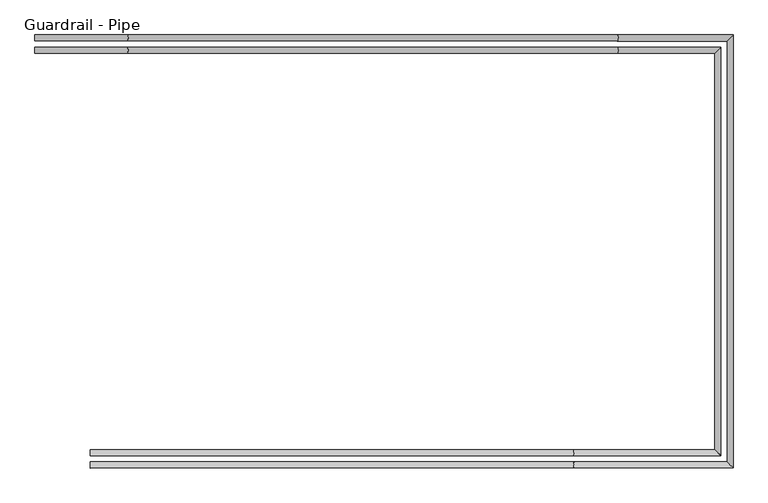
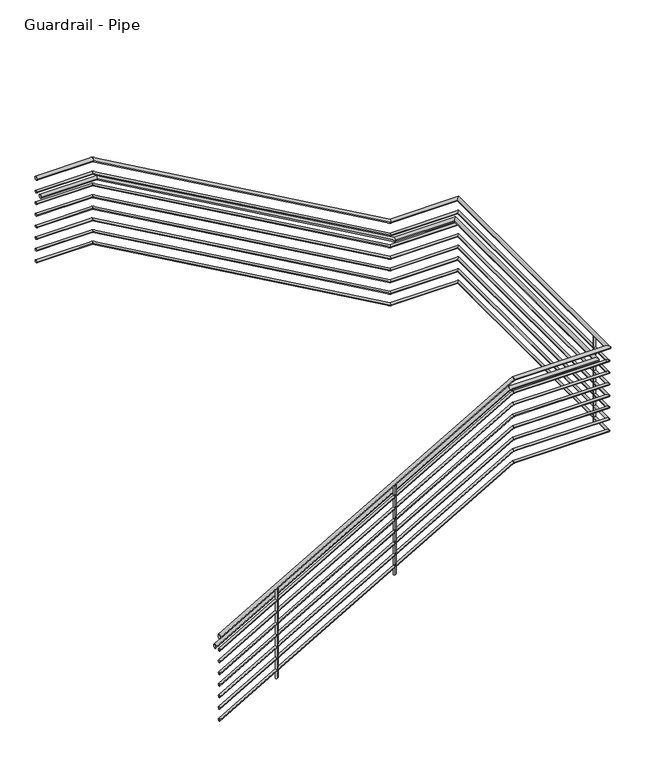
"""IFC4 building model written with IfcOpenShell, lengths in millimetres: railing geometry, Guardrail - Pipe."""

from ifc_helpers import new_model, si_unit, point, frame, frame_2d, origin, place, context, project, spatial, circle_curve, ellipse_curve, trimmed, segment, composite_curve, outline, extrude, source, transform, mapped, element, save
from ifc_brep_helpers import plane_surface, cylinder_surface, advanced_brep


def guardrail_pipe_0471409f(model_context):
    return source(origin(), model_context, "Body", "SolidModel", [
        advanced_brep(
        [(2369.5904629, -21101.8840928, 1047.75), (2369.5904629, -21063.7840928, 1047.75), (2948.7488348, -21101.8840928, 1047.75), (2948.7488348, -21063.7840928, 1047.75), (6022.1488348, -21101.8840928, -701.5369565), (6022.1488348, -21063.7840928, -701.5369565), (6709.6952881, -21101.8840928, -701.5369565), (6747.7952881, -21063.7840928, -701.5369565), (6709.6952881, -23740.9587769, -701.5369565), (6747.7952881, -23779.0587769, -701.5369565), (5752.8914083, -23740.9587769, -701.5369565), (5752.8914083, -23779.0587769, -701.5369565), (2715.5452881, -23740.9587769, -2453.7666228), (2715.5452881, -23779.0587769, -2453.7666228)],
        [
            (0, 1, circle_curve(frame((2369.5904629, -21082.8340928, 1047.75), z_axis=(-1.0, 0.0, 0.0), x_axis=(0.0, 1.0, 0.0)), 19.05)),
            (1, 0, circle_curve(frame((2369.5904629, -21082.8340928, 1047.75), z_axis=(-1.0, 0.0, 0.0), x_axis=(0.0, 1.0, 0.0)), 19.05)),
            (0, 2),
            (2, 3, ellipse_curve(frame((2948.7488348, -21082.8340928, 1047.75), z_axis=(-0.9667180176221513, 0.0, 0.25584423856068766), x_axis=(-0.25584423856068755, 0.0, -0.9667180176221513)), 19.7058497, 19.05)),
            (3, 1),
            (3, 2, ellipse_curve(frame((2948.7488348, -21082.8340928, 1047.75), z_axis=(-0.9667180176221513, 0.0, 0.25584423856068766), x_axis=(-0.25584423856068755, 0.0, -0.9667180176221513)), 19.7058497, 19.05)),
            (2, 4),
            (4, 5, ellipse_curve(frame((6022.1488348, -21082.8340928, -701.5369565), z_axis=(-0.9667180176221513, 0.0, 0.2558442385606876), x_axis=(0.2558442385606875, 0.0, 0.9667180176221513)), 19.7058497, 19.05)),
            (5, 3),
            (5, 4, ellipse_curve(frame((6022.1488348, -21082.8340928, -701.5369565), z_axis=(-0.9667180176221513, 0.0, 0.2558442385606876), x_axis=(0.2558442385606875, 0.0, 0.9667180176221513)), 19.7058497, 19.05)),
            (4, 6),
            (6, 7, ellipse_curve(frame((6728.7452881, -21082.8340928, -701.5369565), z_axis=(-0.7071067811865449, 0.70710678118655, 0.0), x_axis=(-0.7071067811865501, -0.7071067811865448, 0.0)), 26.9407684, 19.05)),
            (7, 5),
            (7, 6, ellipse_curve(frame((6728.7452881, -21082.8340928, -701.5369565), z_axis=(-0.7071067811865449, 0.70710678118655, 0.0), x_axis=(-0.7071067811865501, -0.7071067811865448, 0.0)), 26.9407684, 19.05)),
            (6, 8),
            (8, 9, ellipse_curve(frame((6728.7452881, -23760.0087769, -701.5369565), z_axis=(0.7071067811865501, 0.707106781186545, 0.0), x_axis=(-0.7071067811865451, 0.70710678118655, 0.0)), 26.9407684, 19.05)),
            (9, 7),
            (9, 8, ellipse_curve(frame((6728.7452881, -23760.0087769, -701.5369565), z_axis=(0.7071067811865501, 0.707106781186545, 0.0), x_axis=(-0.7071067811865451, 0.70710678118655, 0.0)), 26.9407684, 19.05)),
            (8, 10),
            (10, 11, ellipse_curve(frame((5752.8914083, -23760.0087769, -701.5369565), z_axis=(0.9659700119988958, 0.0, 0.2586540854478292), x_axis=(0.25865408544783003, 0.0, -0.9659700119988955)), 19.7211091, 19.05)),
            (11, 9),
            (11, 10, ellipse_curve(frame((5752.8914083, -23760.0087769, -701.5369565), z_axis=(0.9659700119988958, 0.0, 0.2586540854478292), x_axis=(0.25865408544783003, 0.0, -0.9659700119988955)), 19.7211091, 19.05)),
            (12, 13, ellipse_curve(frame((2715.5452881, -23760.0087769, -2453.7666228), z_axis=(-1.0, 0.0, 0.0), x_axis=(0.0, 0.0, 1.0)), 21.9927097, 19.05)),
            (13, 12, ellipse_curve(frame((2715.5452881, -23760.0087769, -2453.7666228), z_axis=(-1.0, 0.0, 0.0), x_axis=(0.0, 0.0, 1.0)), 21.9927097, 19.05)),
            (10, 12),
            (13, 11),
        ],
        [
            plane_surface(frame((2369.5904629, -21082.8340928, 1066.8), z_axis=(-1.0, 0.0, 0.0), x_axis=(0.0, 1.0, 0.0))),
            cylinder_surface(frame((2369.5904629, -21082.8340928, 1047.75), z_axis=(-1.0, 0.0, 0.0), x_axis=(0.0, 1.0, 0.0)), 19.05),
            cylinder_surface(frame((2944.367219, -21082.8340928, 1050.2438841), z_axis=(-0.8690874511906039, 0.0, 0.49465847024287346), x_axis=(0.0, 1.0, 0.0)), 19.05),
            cylinder_surface(frame((6027.1904629, -21082.8340928, -701.5369565), z_axis=(-1.0, 0.0, 0.0), x_axis=(0.0, 1.0, 0.0)), 19.05),
            cylinder_surface(frame((6728.7452881, -21082.8340928, -701.5369565), z_axis=(0.0, 1.0, 0.0), x_axis=(1.0, 0.0, 0.0)), 19.05),
            cylinder_surface(frame((6728.7452881, -23760.0087769, -701.5369565), z_axis=(1.0, 0.0, 0.0), x_axis=(0.0, -1.0, 0.0)), 19.05),
            plane_surface(frame((2715.5452881, -23760.0087769, -2431.773913), z_axis=(-1.0, 0.0, 0.0), x_axis=(0.0, -1.0, 0.0))),
            cylinder_surface(frame((5757.3098275, -23760.0087769, -698.9879928), z_axis=(0.8661961281622941, 0.0, 0.4997041800472062), x_axis=(0.0, -1.0, 0.0)), 19.05),
        ],
        [
            (0, [[1, 2]]),
            (1, [[-1, 3, 4, 5]]),
            (1, [[-2, -5, 6, -3]]),
            (2, [[-4, 7, 8, 9]]),
            (2, [[-6, -9, 10, -7]]),
            (3, [[-8, 11, 12, 13]]),
            (3, [[-10, -13, 14, -11]]),
            (4, [[-12, 15, 16, 17]]),
            (4, [[-14, -17, 18, -15]]),
            (5, [[-16, 19, 20, 21]]),
            (5, [[-18, -21, 22, -19]]),
            (6, [[23, 24]]),
            (7, [[-20, 25, -24, 26]]),
            (7, [[-22, -26, -23, -25]]),
        ],
    ),
        advanced_brep(
        [(2369.5904629, -21095.5340928, 901.7), (2369.5904629, -21070.1340928, 901.7), (2950.4293775, -21095.5340928, 901.7), (2950.4293775, -21070.1340928, 901.7), (6023.8293775, -21095.5340928, -847.5869565), (6023.8293775, -21070.1340928, -847.5869565), (6716.0452881, -21095.5340928, -847.5869565), (6741.4452881, -21070.1340928, -847.5869565), (6716.0452881, -23747.3087769, -847.5869565), (6741.4452881, -23772.7087769, -847.5869565), (5751.1910932, -23747.3087769, -847.5869565), (5751.1910932, -23772.7087769, -847.5869565), (2715.5452881, -23747.3087769, -2598.8357195), (2715.5452881, -23772.7087769, -2598.8357195)],
        [
            (0, 1, circle_curve(frame((2369.5904629, -21082.8340928, 901.7), z_axis=(-1.0, 0.0, 0.0), x_axis=(0.0, 1.0, 0.0)), 12.7)),
            (1, 0, circle_curve(frame((2369.5904629, -21082.8340928, 901.7), z_axis=(-1.0, 0.0, 0.0), x_axis=(0.0, 1.0, 0.0)), 12.7)),
            (0, 2),
            (2, 3, ellipse_curve(frame((2950.4293775, -21082.8340928, 901.7), z_axis=(-0.9667180176221513, 0.0, 0.25584423856068766), x_axis=(-0.25584423856068755, 0.0, -0.9667180176221513)), 13.1372332, 12.7)),
            (3, 1),
            (3, 2, ellipse_curve(frame((2950.4293775, -21082.8340928, 901.7), z_axis=(-0.9667180176221513, 0.0, 0.25584423856068766), x_axis=(-0.25584423856068755, 0.0, -0.9667180176221513)), 13.1372332, 12.7)),
            (2, 4),
            (4, 5, ellipse_curve(frame((6023.8293775, -21082.8340928, -847.5869565), z_axis=(-0.9667180176221513, 0.0, 0.2558442385606876), x_axis=(0.2558442385606875, 0.0, 0.9667180176221513)), 13.1372332, 12.7)),
            (5, 3),
            (5, 4, ellipse_curve(frame((6023.8293775, -21082.8340928, -847.5869565), z_axis=(-0.9667180176221513, 0.0, 0.2558442385606876), x_axis=(0.2558442385606875, 0.0, 0.9667180176221513)), 13.1372332, 12.7)),
            (4, 6),
            (6, 7, ellipse_curve(frame((6728.7452881, -21082.8340928, -847.5869565), z_axis=(-0.7071067811865449, 0.70710678118655, 0.0), x_axis=(-0.7071067811865501, -0.7071067811865448, 0.0)), 17.9605122, 12.7)),
            (7, 5),
            (7, 6, ellipse_curve(frame((6728.7452881, -21082.8340928, -847.5869565), z_axis=(-0.7071067811865449, 0.70710678118655, 0.0), x_axis=(-0.7071067811865501, -0.7071067811865448, 0.0)), 17.9605122, 12.7)),
            (6, 8),
            (8, 9, ellipse_curve(frame((6728.7452881, -23760.0087769, -847.5869565), z_axis=(0.7071067811865501, 0.707106781186545, 0.0), x_axis=(-0.7071067811865451, 0.70710678118655, 0.0)), 17.9605122, 12.7)),
            (9, 7),
            (9, 8, ellipse_curve(frame((6728.7452881, -23760.0087769, -847.5869565), z_axis=(0.7071067811865501, 0.707106781186545, 0.0), x_axis=(-0.7071067811865451, 0.70710678118655, 0.0)), 17.9605122, 12.7)),
            (8, 10),
            (10, 11, ellipse_curve(frame((5751.1910932, -23760.0087769, -847.5869565), z_axis=(0.9659700119988958, 0.0, 0.2586540854478292), x_axis=(0.25865408544783003, 0.0, -0.9659700119988955)), 13.1474061, 12.7)),
            (11, 9),
            (11, 10, ellipse_curve(frame((5751.1910932, -23760.0087769, -847.5869565), z_axis=(0.9659700119988958, 0.0, 0.2586540854478292), x_axis=(0.25865408544783003, 0.0, -0.9659700119988955)), 13.1474061, 12.7)),
            (12, 13, ellipse_curve(frame((2715.5452881, -23760.0087769, -2598.8357195), z_axis=(-1.0, 0.0, 0.0), x_axis=(0.0, 0.0, 1.0)), 14.6618065, 12.7)),
            (13, 12, ellipse_curve(frame((2715.5452881, -23760.0087769, -2598.8357195), z_axis=(-1.0, 0.0, 0.0), x_axis=(0.0, 0.0, 1.0)), 14.6618065, 12.7)),
            (10, 12),
            (13, 11),
        ],
        [
            plane_surface(frame((2369.5904629, -21082.8340928, 914.4), z_axis=(-1.0, 0.0, 0.0), x_axis=(0.0, 1.0, 0.0))),
            cylinder_surface(frame((2369.5904629, -21082.8340928, 901.7), z_axis=(-1.0, 0.0, 0.0), x_axis=(0.0, 1.0, 0.0)), 12.7),
            cylinder_surface(frame((2947.5083003, -21082.8340928, 903.3625894), z_axis=(-0.8690874511906039, 0.0, 0.49465847024287346), x_axis=(0.0, 1.0, 0.0)), 12.7),
            cylinder_surface(frame((6027.1904629, -21082.8340928, -847.5869565), z_axis=(-1.0, 0.0, 0.0), x_axis=(0.0, 1.0, 0.0)), 12.7),
            cylinder_surface(frame((6728.7452881, -21082.8340928, -847.5869565), z_axis=(0.0, 1.0, 0.0), x_axis=(1.0, 0.0, 0.0)), 12.7),
            cylinder_surface(frame((6728.7452881, -23760.0087769, -847.5869565), z_axis=(1.0, 0.0, 0.0), x_axis=(0.0, -1.0, 0.0)), 12.7),
            plane_surface(frame((2715.5452881, -23760.0087769, -2584.173913), z_axis=(-1.0, 0.0, 0.0), x_axis=(0.0, -1.0, 0.0))),
            cylinder_surface(frame((5754.136706, -23760.0087769, -845.8876473), z_axis=(0.8661961281622941, 0.0, 0.4997041800472062), x_axis=(0.0, -1.0, 0.0)), 12.7),
        ],
        [
            (0, [[1, 2]]),
            (1, [[-1, 3, 4, 5]]),
            (1, [[-2, -5, 6, -3]]),
            (2, [[-4, 7, 8, 9]]),
            (2, [[-6, -9, 10, -7]]),
            (3, [[-8, 11, 12, 13]]),
            (3, [[-10, -13, 14, -11]]),
            (4, [[-12, 15, 16, 17]]),
            (4, [[-14, -17, 18, -15]]),
            (5, [[-16, 19, 20, 21]]),
            (5, [[-18, -21, 22, -19]]),
            (6, [[23, 24]]),
            (7, [[-20, 25, -24, 26]]),
            (7, [[-22, -26, -23, -25]]),
        ],
    ),
        advanced_brep(
        [(2369.5904629, -21178.0840928, 895.35), (2369.5904629, -21139.9840928, 895.35), (2948.7488348, -21178.0840928, 895.35), (2948.7488348, -21139.9840928, 895.35), (6022.1488348, -21178.0840928, -853.9369565), (6022.1488348, -21139.9840928, -853.9369565), (6633.4952881, -21178.0840928, -853.9369565), (6671.5952881, -21139.9840928, -853.9369565), (6633.4952881, -23664.7587769, -853.9369565), (6671.5952881, -23702.8587769, -853.9369565), (5752.8914083, -23664.7587769, -853.9369565), (5752.8914083, -23702.8587769, -853.9369565), (2715.5452881, -23664.7587769, -2606.1666228), (2715.5452881, -23702.8587769, -2606.1666228)],
        [
            (0, 1, circle_curve(frame((2369.5904629, -21159.0340928, 895.35), z_axis=(-1.0, 0.0, 0.0), x_axis=(0.0, 1.0, 0.0)), 19.05)),
            (1, 0, circle_curve(frame((2369.5904629, -21159.0340928, 895.35), z_axis=(-1.0, 0.0, 0.0), x_axis=(0.0, 1.0, 0.0)), 19.05)),
            (0, 2),
            (2, 3, ellipse_curve(frame((2948.7488348, -21159.0340928, 895.35), z_axis=(-0.9667180176221513, 0.0, 0.25584423856068766), x_axis=(-0.25584423856068755, 0.0, -0.9667180176221513)), 19.7058497, 19.05)),
            (3, 1),
            (3, 2, ellipse_curve(frame((2948.7488348, -21159.0340928, 895.35), z_axis=(-0.9667180176221513, 0.0, 0.25584423856068766), x_axis=(-0.25584423856068755, 0.0, -0.9667180176221513)), 19.7058497, 19.05)),
            (2, 4),
            (4, 5, ellipse_curve(frame((6022.1488348, -21159.0340928, -853.9369565), z_axis=(-0.9667180176221513, 0.0, 0.2558442385606876), x_axis=(0.2558442385606875, 0.0, 0.9667180176221513)), 19.7058497, 19.05)),
            (5, 3),
            (5, 4, ellipse_curve(frame((6022.1488348, -21159.0340928, -853.9369565), z_axis=(-0.9667180176221513, 0.0, 0.2558442385606876), x_axis=(0.2558442385606875, 0.0, 0.9667180176221513)), 19.7058497, 19.05)),
            (4, 6),
            (6, 7, ellipse_curve(frame((6652.5452881, -21159.0340928, -853.9369565), z_axis=(-0.7071067811865449, 0.70710678118655, 0.0), x_axis=(-0.7071067811865501, -0.7071067811865448, 0.0)), 26.9407684, 19.05)),
            (7, 5),
            (7, 6, ellipse_curve(frame((6652.5452881, -21159.0340928, -853.9369565), z_axis=(-0.7071067811865449, 0.70710678118655, 0.0), x_axis=(-0.7071067811865501, -0.7071067811865448, 0.0)), 26.9407684, 19.05)),
            (6, 8),
            (8, 9, ellipse_curve(frame((6652.5452881, -23683.8087769, -853.9369565), z_axis=(0.7071067811865501, 0.707106781186545, 0.0), x_axis=(-0.7071067811865451, 0.70710678118655, 0.0)), 26.9407684, 19.05)),
            (9, 7),
            (9, 8, ellipse_curve(frame((6652.5452881, -23683.8087769, -853.9369565), z_axis=(0.7071067811865501, 0.707106781186545, 0.0), x_axis=(-0.7071067811865451, 0.70710678118655, 0.0)), 26.9407684, 19.05)),
            (8, 10),
            (10, 11, ellipse_curve(frame((5752.8914083, -23683.8087769, -853.9369565), z_axis=(0.9659700119988958, 0.0, 0.2586540854478292), x_axis=(0.25865408544783003, 0.0, -0.9659700119988955)), 19.7211091, 19.05)),
            (11, 9),
            (11, 10, ellipse_curve(frame((5752.8914083, -23683.8087769, -853.9369565), z_axis=(0.9659700119988958, 0.0, 0.2586540854478292), x_axis=(0.25865408544783003, 0.0, -0.9659700119988955)), 19.7211091, 19.05)),
            (12, 13, ellipse_curve(frame((2715.5452881, -23683.8087769, -2606.1666228), z_axis=(-1.0, 0.0, 0.0), x_axis=(0.0, 0.0, 1.0)), 21.9927097, 19.05)),
            (13, 12, ellipse_curve(frame((2715.5452881, -23683.8087769, -2606.1666228), z_axis=(-1.0, 0.0, 0.0), x_axis=(0.0, 0.0, 1.0)), 21.9927097, 19.05)),
            (10, 12),
            (13, 11),
        ],
        [
            plane_surface(frame((2369.5904629, -21159.0340928, 914.4), z_axis=(-1.0, 0.0, 0.0), x_axis=(0.0, 1.0, 0.0))),
            cylinder_surface(frame((2369.5904629, -21159.0340928, 895.35), z_axis=(-1.0, 0.0, 0.0), x_axis=(0.0, 1.0, 0.0)), 19.05),
            cylinder_surface(frame((2944.367219, -21159.0340928, 897.8438841), z_axis=(-0.8690874511906039, 0.0, 0.49465847024287346), x_axis=(0.0, 1.0, 0.0)), 19.05),
            cylinder_surface(frame((6027.1904629, -21159.0340928, -853.9369565), z_axis=(-1.0, 0.0, 0.0), x_axis=(0.0, 1.0, 0.0)), 19.05),
            cylinder_surface(frame((6652.5452881, -21159.0340928, -853.9369565), z_axis=(0.0, 1.0, 0.0), x_axis=(1.0, 0.0, 0.0)), 19.05),
            cylinder_surface(frame((6652.5452881, -23683.8087769, -853.9369565), z_axis=(1.0, 0.0, 0.0), x_axis=(0.0, -1.0, 0.0)), 19.05),
            plane_surface(frame((2715.5452881, -23683.8087769, -2584.173913), z_axis=(-1.0, 0.0, 0.0), x_axis=(0.0, -1.0, 0.0))),
            cylinder_surface(frame((5757.3098275, -23683.8087769, -851.3879928), z_axis=(0.8661961281622941, 0.0, 0.4997041800472062), x_axis=(0.0, -1.0, 0.0)), 19.05),
        ],
        [
            (0, [[1, 2]]),
            (1, [[-1, 3, 4, 5]]),
            (1, [[-2, -5, 6, -3]]),
            (2, [[-4, 7, 8, 9]]),
            (2, [[-6, -9, 10, -7]]),
            (3, [[-8, 11, 12, 13]]),
            (3, [[-10, -13, 14, -11]]),
            (4, [[-12, 15, 16, 17]]),
            (4, [[-14, -17, 18, -15]]),
            (5, [[-16, 19, 20, 21]]),
            (5, [[-18, -21, 22, -19]]),
            (6, [[23, 24]]),
            (7, [[-20, 25, -24, 26]]),
            (7, [[-22, -26, -23, -25]]),
        ],
    ),
        advanced_brep(
        [(2369.5904629, -21095.5340928, 774.7), (2369.5904629, -21070.1340928, 774.7), (2950.4293775, -21095.5340928, 774.7), (2950.4293775, -21070.1340928, 774.7), (6023.8293775, -21095.5340928, -974.5869565), (6023.8293775, -21070.1340928, -974.5869565), (6716.0452881, -21095.5340928, -974.5869565), (6741.4452881, -21070.1340928, -974.5869565), (6716.0452881, -23747.3087769, -974.5869565), (6741.4452881, -23772.7087769, -974.5869565), (5751.1910932, -23747.3087769, -974.5869565), (5751.1910932, -23772.7087769, -974.5869565), (2715.5452881, -23747.3087769, -2725.8357195), (2715.5452881, -23772.7087769, -2725.8357195)],
        [
            (0, 1, circle_curve(frame((2369.5904629, -21082.8340928, 774.7), z_axis=(-1.0, 0.0, 0.0), x_axis=(0.0, 1.0, 0.0)), 12.7)),
            (1, 0, circle_curve(frame((2369.5904629, -21082.8340928, 774.7), z_axis=(-1.0, 0.0, 0.0), x_axis=(0.0, 1.0, 0.0)), 12.7)),
            (0, 2),
            (2, 3, ellipse_curve(frame((2950.4293775, -21082.8340928, 774.7), z_axis=(-0.9667180176221513, 0.0, 0.25584423856068766), x_axis=(-0.25584423856068755, 0.0, -0.9667180176221513)), 13.1372332, 12.7)),
            (3, 1),
            (3, 2, ellipse_curve(frame((2950.4293775, -21082.8340928, 774.7), z_axis=(-0.9667180176221513, 0.0, 0.25584423856068766), x_axis=(-0.25584423856068755, 0.0, -0.9667180176221513)), 13.1372332, 12.7)),
            (2, 4),
            (4, 5, ellipse_curve(frame((6023.8293775, -21082.8340928, -974.5869565), z_axis=(-0.9667180176221513, 0.0, 0.2558442385606876), x_axis=(0.2558442385606875, 0.0, 0.9667180176221513)), 13.1372332, 12.7)),
            (5, 3),
            (5, 4, ellipse_curve(frame((6023.8293775, -21082.8340928, -974.5869565), z_axis=(-0.9667180176221513, 0.0, 0.2558442385606876), x_axis=(0.2558442385606875, 0.0, 0.9667180176221513)), 13.1372332, 12.7)),
            (4, 6),
            (6, 7, ellipse_curve(frame((6728.7452881, -21082.8340928, -974.5869565), z_axis=(-0.7071067811865449, 0.70710678118655, 0.0), x_axis=(-0.7071067811865501, -0.7071067811865448, 0.0)), 17.9605122, 12.7)),
            (7, 5),
            (7, 6, ellipse_curve(frame((6728.7452881, -21082.8340928, -974.5869565), z_axis=(-0.7071067811865449, 0.70710678118655, 0.0), x_axis=(-0.7071067811865501, -0.7071067811865448, 0.0)), 17.9605122, 12.7)),
            (6, 8),
            (8, 9, ellipse_curve(frame((6728.7452881, -23760.0087769, -974.5869565), z_axis=(0.7071067811865501, 0.707106781186545, 0.0), x_axis=(-0.7071067811865451, 0.70710678118655, 0.0)), 17.9605122, 12.7)),
            (9, 7),
            (9, 8, ellipse_curve(frame((6728.7452881, -23760.0087769, -974.5869565), z_axis=(0.7071067811865501, 0.707106781186545, 0.0), x_axis=(-0.7071067811865451, 0.70710678118655, 0.0)), 17.9605122, 12.7)),
            (8, 10),
            (10, 11, ellipse_curve(frame((5751.1910932, -23760.0087769, -974.5869565), z_axis=(0.9659700119988958, 0.0, 0.2586540854478292), x_axis=(0.25865408544783003, 0.0, -0.9659700119988955)), 13.1474061, 12.7)),
            (11, 9),
            (11, 10, ellipse_curve(frame((5751.1910932, -23760.0087769, -974.5869565), z_axis=(0.9659700119988958, 0.0, 0.2586540854478292), x_axis=(0.25865408544783003, 0.0, -0.9659700119988955)), 13.1474061, 12.7)),
            (12, 13, ellipse_curve(frame((2715.5452881, -23760.0087769, -2725.8357195), z_axis=(-1.0, 0.0, 0.0), x_axis=(0.0, 0.0, 1.0)), 14.6618065, 12.7)),
            (13, 12, ellipse_curve(frame((2715.5452881, -23760.0087769, -2725.8357195), z_axis=(-1.0, 0.0, 0.0), x_axis=(0.0, 0.0, 1.0)), 14.6618065, 12.7)),
            (10, 12),
            (13, 11),
        ],
        [
            plane_surface(frame((2369.5904629, -21082.8340928, 787.4), z_axis=(-1.0, 0.0, 0.0), x_axis=(0.0, 1.0, 0.0))),
            cylinder_surface(frame((2369.5904629, -21082.8340928, 774.7), z_axis=(-1.0, 0.0, 0.0), x_axis=(0.0, 1.0, 0.0)), 12.7),
            cylinder_surface(frame((2947.5083003, -21082.8340928, 776.3625894), z_axis=(-0.8690874511906039, 0.0, 0.49465847024287346), x_axis=(0.0, 1.0, 0.0)), 12.7),
            cylinder_surface(frame((6027.1904629, -21082.8340928, -974.5869565), z_axis=(-1.0, 0.0, 0.0), x_axis=(0.0, 1.0, 0.0)), 12.7),
            cylinder_surface(frame((6728.7452881, -21082.8340928, -974.5869565), z_axis=(0.0, 1.0, 0.0), x_axis=(1.0, 0.0, 0.0)), 12.7),
            cylinder_surface(frame((6728.7452881, -23760.0087769, -974.5869565), z_axis=(1.0, 0.0, 0.0), x_axis=(0.0, -1.0, 0.0)), 12.7),
            plane_surface(frame((2715.5452881, -23760.0087769, -2711.173913), z_axis=(-1.0, 0.0, 0.0), x_axis=(0.0, -1.0, 0.0))),
            cylinder_surface(frame((5754.136706, -23760.0087769, -972.8876473), z_axis=(0.8661961281622942, 0.0, 0.4997041800472061), x_axis=(0.0, -1.0, 0.0)), 12.7),
        ],
        [
            (0, [[1, 2]]),
            (1, [[-1, 3, 4, 5]]),
            (1, [[-2, -5, 6, -3]]),
            (2, [[-4, 7, 8, 9]]),
            (2, [[-6, -9, 10, -7]]),
            (3, [[-8, 11, 12, 13]]),
            (3, [[-10, -13, 14, -11]]),
            (4, [[-12, 15, 16, 17]]),
            (4, [[-14, -17, 18, -15]]),
            (5, [[-16, 19, 20, 21]]),
            (5, [[-18, -21, 22, -19]]),
            (6, [[23, 24]]),
            (7, [[-20, 25, -24, 26]]),
            (7, [[-22, -26, -23, -25]]),
        ],
    ),
        advanced_brep(
        [(2369.5904629, -21095.5340928, 647.7), (2369.5904629, -21070.1340928, 647.7), (2950.4293775, -21095.5340928, 647.7), (2950.4293775, -21070.1340928, 647.7), (6023.8293775, -21095.5340928, -1101.5869565), (6023.8293775, -21070.1340928, -1101.5869565), (6716.0452881, -21095.5340928, -1101.5869565), (6741.4452881, -21070.1340928, -1101.5869565), (6716.0452881, -23747.3087769, -1101.5869565), (6741.4452881, -23772.7087769, -1101.5869565), (5751.1910932, -23747.3087769, -1101.5869565), (5751.1910932, -23772.7087769, -1101.5869565), (2715.5452881, -23747.3087769, -2852.8357195), (2715.5452881, -23772.7087769, -2852.8357195)],
        [
            (0, 1, circle_curve(frame((2369.5904629, -21082.8340928, 647.7), z_axis=(-1.0, 0.0, 0.0), x_axis=(0.0, 1.0, 0.0)), 12.7)),
            (1, 0, circle_curve(frame((2369.5904629, -21082.8340928, 647.7), z_axis=(-1.0, 0.0, 0.0), x_axis=(0.0, 1.0, 0.0)), 12.7)),
            (0, 2),
            (2, 3, ellipse_curve(frame((2950.4293775, -21082.8340928, 647.7), z_axis=(-0.9667180176221513, 0.0, 0.25584423856068766), x_axis=(-0.25584423856068755, 0.0, -0.9667180176221513)), 13.1372332, 12.7)),
            (3, 1),
            (3, 2, ellipse_curve(frame((2950.4293775, -21082.8340928, 647.7), z_axis=(-0.9667180176221513, 0.0, 0.25584423856068766), x_axis=(-0.25584423856068755, 0.0, -0.9667180176221513)), 13.1372332, 12.7)),
            (2, 4),
            (4, 5, ellipse_curve(frame((6023.8293775, -21082.8340928, -1101.5869565), z_axis=(-0.9667180176221513, 0.0, 0.2558442385606876), x_axis=(0.2558442385606875, 0.0, 0.9667180176221513)), 13.1372332, 12.7)),
            (5, 3),
            (5, 4, ellipse_curve(frame((6023.8293775, -21082.8340928, -1101.5869565), z_axis=(-0.9667180176221513, 0.0, 0.2558442385606876), x_axis=(0.2558442385606875, 0.0, 0.9667180176221513)), 13.1372332, 12.7)),
            (4, 6),
            (6, 7, ellipse_curve(frame((6728.7452881, -21082.8340928, -1101.5869565), z_axis=(-0.7071067811865449, 0.70710678118655, 0.0), x_axis=(-0.7071067811865501, -0.7071067811865448, 0.0)), 17.9605122, 12.7)),
            (7, 5),
            (7, 6, ellipse_curve(frame((6728.7452881, -21082.8340928, -1101.5869565), z_axis=(-0.7071067811865449, 0.70710678118655, 0.0), x_axis=(-0.7071067811865501, -0.7071067811865448, 0.0)), 17.9605122, 12.7)),
            (6, 8),
            (8, 9, ellipse_curve(frame((6728.7452881, -23760.0087769, -1101.5869565), z_axis=(0.7071067811865501, 0.707106781186545, 0.0), x_axis=(-0.7071067811865451, 0.70710678118655, 0.0)), 17.9605122, 12.7)),
            (9, 7),
            (9, 8, ellipse_curve(frame((6728.7452881, -23760.0087769, -1101.5869565), z_axis=(0.7071067811865501, 0.707106781186545, 0.0), x_axis=(-0.7071067811865451, 0.70710678118655, 0.0)), 17.9605122, 12.7)),
            (8, 10),
            (10, 11, ellipse_curve(frame((5751.1910932, -23760.0087769, -1101.5869565), z_axis=(0.9659700119988958, 0.0, 0.2586540854478292), x_axis=(0.25865408544783003, 0.0, -0.9659700119988955)), 13.1474061, 12.7)),
            (11, 9),
            (11, 10, ellipse_curve(frame((5751.1910932, -23760.0087769, -1101.5869565), z_axis=(0.9659700119988958, 0.0, 0.2586540854478292), x_axis=(0.25865408544783003, 0.0, -0.9659700119988955)), 13.1474061, 12.7)),
            (12, 13, ellipse_curve(frame((2715.5452881, -23760.0087769, -2852.8357195), z_axis=(-1.0, 0.0, 0.0), x_axis=(0.0, 0.0, 1.0)), 14.6618065, 12.7)),
            (13, 12, ellipse_curve(frame((2715.5452881, -23760.0087769, -2852.8357195), z_axis=(-1.0, 0.0, 0.0), x_axis=(0.0, 0.0, 1.0)), 14.6618065, 12.7)),
            (10, 12),
            (13, 11),
        ],
        [
            plane_surface(frame((2369.5904629, -21082.8340928, 660.4), z_axis=(-1.0, 0.0, 0.0), x_axis=(0.0, 1.0, 0.0))),
            cylinder_surface(frame((2369.5904629, -21082.8340928, 647.7), z_axis=(-1.0, 0.0, 0.0), x_axis=(0.0, 1.0, 0.0)), 12.7),
            cylinder_surface(frame((2947.5083003, -21082.8340928, 649.3625894), z_axis=(-0.8690874511906039, 0.0, 0.49465847024287346), x_axis=(0.0, 1.0, 0.0)), 12.7),
            cylinder_surface(frame((6027.1904629, -21082.8340928, -1101.5869565), z_axis=(-1.0, 0.0, 0.0), x_axis=(0.0, 1.0, 0.0)), 12.7),
            cylinder_surface(frame((6728.7452881, -21082.8340928, -1101.5869565), z_axis=(0.0, 1.0, 0.0), x_axis=(1.0, 0.0, 0.0)), 12.7),
            cylinder_surface(frame((6728.7452881, -23760.0087769, -1101.5869565), z_axis=(1.0, 0.0, 0.0), x_axis=(0.0, -1.0, 0.0)), 12.7),
            plane_surface(frame((2715.5452881, -23760.0087769, -2838.173913), z_axis=(-1.0, 0.0, 0.0), x_axis=(0.0, -1.0, 0.0))),
            cylinder_surface(frame((5754.136706, -23760.0087769, -1099.8876473), z_axis=(0.8661961281622941, 0.0, 0.4997041800472062), x_axis=(0.0, -1.0, 0.0)), 12.7),
        ],
        [
            (0, [[1, 2]]),
            (1, [[-1, 3, 4, 5]]),
            (1, [[-2, -5, 6, -3]]),
            (2, [[-4, 7, 8, 9]]),
            (2, [[-6, -9, 10, -7]]),
            (3, [[-8, 11, 12, 13]]),
            (3, [[-10, -13, 14, -11]]),
            (4, [[-12, 15, 16, 17]]),
            (4, [[-14, -17, 18, -15]]),
            (5, [[-16, 19, 20, 21]]),
            (5, [[-18, -21, 22, -19]]),
            (6, [[23, 24]]),
            (7, [[-20, 25, -24, 26]]),
            (7, [[-22, -26, -23, -25]]),
        ],
    ),
        advanced_brep(
        [(2369.5904629, -21095.5340928, 520.7), (2369.5904629, -21070.1340928, 520.7), (2950.4293775, -21095.5340928, 520.7), (2950.4293775, -21070.1340928, 520.7), (6023.8293775, -21095.5340928, -1228.5869565), (6023.8293775, -21070.1340928, -1228.5869565), (6716.0452881, -21095.5340928, -1228.5869565), (6741.4452881, -21070.1340928, -1228.5869565), (6716.0452881, -23747.3087769, -1228.5869565), (6741.4452881, -23772.7087769, -1228.5869565), (5751.1910932, -23747.3087769, -1228.5869565), (5751.1910932, -23772.7087769, -1228.5869565), (2715.5452881, -23747.3087769, -2979.8357195), (2715.5452881, -23772.7087769, -2979.8357195)],
        [
            (0, 1, circle_curve(frame((2369.5904629, -21082.8340928, 520.7), z_axis=(-1.0, 0.0, 0.0), x_axis=(0.0, 1.0, 0.0)), 12.7)),
            (1, 0, circle_curve(frame((2369.5904629, -21082.8340928, 520.7), z_axis=(-1.0, 0.0, 0.0), x_axis=(0.0, 1.0, 0.0)), 12.7)),
            (0, 2),
            (2, 3, ellipse_curve(frame((2950.4293775, -21082.8340928, 520.7), z_axis=(-0.9667180176221513, 0.0, 0.25584423856068766), x_axis=(-0.25584423856068755, 0.0, -0.9667180176221513)), 13.1372332, 12.7)),
            (3, 1),
            (3, 2, ellipse_curve(frame((2950.4293775, -21082.8340928, 520.7), z_axis=(-0.9667180176221513, 0.0, 0.25584423856068766), x_axis=(-0.25584423856068755, 0.0, -0.9667180176221513)), 13.1372332, 12.7)),
            (2, 4),
            (4, 5, ellipse_curve(frame((6023.8293775, -21082.8340928, -1228.5869565), z_axis=(-0.9667180176221513, 0.0, 0.2558442385606876), x_axis=(0.2558442385606875, 0.0, 0.9667180176221513)), 13.1372332, 12.7)),
            (5, 3),
            (5, 4, ellipse_curve(frame((6023.8293775, -21082.8340928, -1228.5869565), z_axis=(-0.9667180176221513, 0.0, 0.2558442385606876), x_axis=(0.2558442385606875, 0.0, 0.9667180176221513)), 13.1372332, 12.7)),
            (4, 6),
            (6, 7, ellipse_curve(frame((6728.7452881, -21082.8340928, -1228.5869565), z_axis=(-0.7071067811865449, 0.70710678118655, 0.0), x_axis=(-0.7071067811865501, -0.7071067811865448, 0.0)), 17.9605122, 12.7)),
            (7, 5),
            (7, 6, ellipse_curve(frame((6728.7452881, -21082.8340928, -1228.5869565), z_axis=(-0.7071067811865449, 0.70710678118655, 0.0), x_axis=(-0.7071067811865501, -0.7071067811865448, 0.0)), 17.9605122, 12.7)),
            (6, 8),
            (8, 9, ellipse_curve(frame((6728.7452881, -23760.0087769, -1228.5869565), z_axis=(0.7071067811865501, 0.707106781186545, 0.0), x_axis=(-0.7071067811865451, 0.70710678118655, 0.0)), 17.9605122, 12.7)),
            (9, 7),
            (9, 8, ellipse_curve(frame((6728.7452881, -23760.0087769, -1228.5869565), z_axis=(0.7071067811865501, 0.707106781186545, 0.0), x_axis=(-0.7071067811865451, 0.70710678118655, 0.0)), 17.9605122, 12.7)),
            (8, 10),
            (10, 11, ellipse_curve(frame((5751.1910932, -23760.0087769, -1228.5869565), z_axis=(0.9659700119988958, 0.0, 0.2586540854478292), x_axis=(0.25865408544783003, 0.0, -0.9659700119988955)), 13.1474061, 12.7)),
            (11, 9),
            (11, 10, ellipse_curve(frame((5751.1910932, -23760.0087769, -1228.5869565), z_axis=(0.9659700119988958, 0.0, 0.2586540854478292), x_axis=(0.25865408544783003, 0.0, -0.9659700119988955)), 13.1474061, 12.7)),
            (12, 13, ellipse_curve(frame((2715.5452881, -23760.0087769, -2979.8357195), z_axis=(-1.0, 0.0, 0.0), x_axis=(0.0, 0.0, 1.0)), 14.6618065, 12.7)),
            (13, 12, ellipse_curve(frame((2715.5452881, -23760.0087769, -2979.8357195), z_axis=(-1.0, 0.0, 0.0), x_axis=(0.0, 0.0, 1.0)), 14.6618065, 12.7)),
            (10, 12),
            (13, 11),
        ],
        [
            plane_surface(frame((2369.5904629, -21082.8340928, 533.4), z_axis=(-1.0, 0.0, 0.0), x_axis=(0.0, 1.0, 0.0))),
            cylinder_surface(frame((2369.5904629, -21082.8340928, 520.7), z_axis=(-1.0, 0.0, 0.0), x_axis=(0.0, 1.0, 0.0)), 12.7),
            cylinder_surface(frame((2947.5083003, -21082.8340928, 522.3625894), z_axis=(-0.8690874511906039, 0.0, 0.49465847024287346), x_axis=(0.0, 1.0, 0.0)), 12.7),
            cylinder_surface(frame((6027.1904629, -21082.8340928, -1228.5869565), z_axis=(-1.0, 0.0, 0.0), x_axis=(0.0, 1.0, 0.0)), 12.7),
            cylinder_surface(frame((6728.7452881, -21082.8340928, -1228.5869565), z_axis=(0.0, 1.0, 0.0), x_axis=(1.0, 0.0, 0.0)), 12.7),
            cylinder_surface(frame((6728.7452881, -23760.0087769, -1228.5869565), z_axis=(1.0, 0.0, 0.0), x_axis=(0.0, -1.0, 0.0)), 12.7),
            plane_surface(frame((2715.5452881, -23760.0087769, -2965.173913), z_axis=(-1.0, 0.0, 0.0), x_axis=(0.0, -1.0, 0.0))),
            cylinder_surface(frame((5754.136706, -23760.0087769, -1226.8876473), z_axis=(0.8661961281622941, 0.0, 0.4997041800472062), x_axis=(0.0, -1.0, 0.0)), 12.7),
        ],
        [
            (0, [[1, 2]]),
            (1, [[-1, 3, 4, 5]]),
            (1, [[-2, -5, 6, -3]]),
            (2, [[-4, 7, 8, 9]]),
            (2, [[-6, -9, 10, -7]]),
            (3, [[-8, 11, 12, 13]]),
            (3, [[-10, -13, 14, -11]]),
            (4, [[-12, 15, 16, 17]]),
            (4, [[-14, -17, 18, -15]]),
            (5, [[-16, 19, 20, 21]]),
            (5, [[-18, -21, 22, -19]]),
            (6, [[23, 24]]),
            (7, [[-20, 25, -24, 26]]),
            (7, [[-22, -26, -23, -25]]),
        ],
    ),
        advanced_brep(
        [(2369.5904629, -21095.5340928, 393.7), (2369.5904629, -21070.1340928, 393.7), (2950.4293775, -21095.5340928, 393.7), (2950.4293775, -21070.1340928, 393.7), (6023.8293775, -21095.5340928, -1355.5869565), (6023.8293775, -21070.1340928, -1355.5869565), (6716.0452881, -21095.5340928, -1355.5869565), (6741.4452881, -21070.1340928, -1355.5869565), (6716.0452881, -23747.3087769, -1355.5869565), (6741.4452881, -23772.7087769, -1355.5869565), (5751.1910932, -23747.3087769, -1355.5869565), (5751.1910932, -23772.7087769, -1355.5869565), (2715.5452881, -23747.3087769, -3106.8357195), (2715.5452881, -23772.7087769, -3106.8357195)],
        [
            (0, 1, circle_curve(frame((2369.5904629, -21082.8340928, 393.7), z_axis=(-1.0, 0.0, 0.0), x_axis=(0.0, 1.0, 0.0)), 12.7)),
            (1, 0, circle_curve(frame((2369.5904629, -21082.8340928, 393.7), z_axis=(-1.0, 0.0, 0.0), x_axis=(0.0, 1.0, 0.0)), 12.7)),
            (0, 2),
            (2, 3, ellipse_curve(frame((2950.4293775, -21082.8340928, 393.7), z_axis=(-0.9667180176221513, 0.0, 0.25584423856068766), x_axis=(-0.25584423856068755, 0.0, -0.9667180176221513)), 13.1372332, 12.7)),
            (3, 1),
            (3, 2, ellipse_curve(frame((2950.4293775, -21082.8340928, 393.7), z_axis=(-0.9667180176221513, 0.0, 0.25584423856068766), x_axis=(-0.25584423856068755, 0.0, -0.9667180176221513)), 13.1372332, 12.7)),
            (2, 4),
            (4, 5, ellipse_curve(frame((6023.8293775, -21082.8340928, -1355.5869565), z_axis=(-0.9667180176221513, 0.0, 0.2558442385606876), x_axis=(0.2558442385606875, 0.0, 0.9667180176221513)), 13.1372332, 12.7)),
            (5, 3),
            (5, 4, ellipse_curve(frame((6023.8293775, -21082.8340928, -1355.5869565), z_axis=(-0.9667180176221513, 0.0, 0.2558442385606876), x_axis=(0.2558442385606875, 0.0, 0.9667180176221513)), 13.1372332, 12.7)),
            (4, 6),
            (6, 7, ellipse_curve(frame((6728.7452881, -21082.8340928, -1355.5869565), z_axis=(-0.7071067811865449, 0.70710678118655, 0.0), x_axis=(-0.7071067811865501, -0.7071067811865448, 0.0)), 17.9605122, 12.7)),
            (7, 5),
            (7, 6, ellipse_curve(frame((6728.7452881, -21082.8340928, -1355.5869565), z_axis=(-0.7071067811865449, 0.70710678118655, 0.0), x_axis=(-0.7071067811865501, -0.7071067811865448, 0.0)), 17.9605122, 12.7)),
            (6, 8),
            (8, 9, ellipse_curve(frame((6728.7452881, -23760.0087769, -1355.5869565), z_axis=(0.7071067811865501, 0.707106781186545, 0.0), x_axis=(-0.7071067811865451, 0.70710678118655, 0.0)), 17.9605122, 12.7)),
            (9, 7),
            (9, 8, ellipse_curve(frame((6728.7452881, -23760.0087769, -1355.5869565), z_axis=(0.7071067811865501, 0.707106781186545, 0.0), x_axis=(-0.7071067811865451, 0.70710678118655, 0.0)), 17.9605122, 12.7)),
            (8, 10),
            (10, 11, ellipse_curve(frame((5751.1910932, -23760.0087769, -1355.5869565), z_axis=(0.9659700119988958, 0.0, 0.2586540854478292), x_axis=(0.25865408544783003, 0.0, -0.9659700119988955)), 13.1474061, 12.7)),
            (11, 9),
            (11, 10, ellipse_curve(frame((5751.1910932, -23760.0087769, -1355.5869565), z_axis=(0.9659700119988958, 0.0, 0.2586540854478292), x_axis=(0.25865408544783003, 0.0, -0.9659700119988955)), 13.1474061, 12.7)),
            (12, 13, ellipse_curve(frame((2715.5452881, -23760.0087769, -3106.8357195), z_axis=(-1.0, 0.0, 0.0), x_axis=(0.0, 0.0, 1.0)), 14.6618065, 12.7)),
            (13, 12, ellipse_curve(frame((2715.5452881, -23760.0087769, -3106.8357195), z_axis=(-1.0, 0.0, 0.0), x_axis=(0.0, 0.0, 1.0)), 14.6618065, 12.7)),
            (10, 12),
            (13, 11),
        ],
        [
            plane_surface(frame((2369.5904629, -21082.8340928, 406.4), z_axis=(-1.0, 0.0, 0.0), x_axis=(0.0, 1.0, 0.0))),
            cylinder_surface(frame((2369.5904629, -21082.8340928, 393.7), z_axis=(-1.0, 0.0, 0.0), x_axis=(0.0, 1.0, 0.0)), 12.7),
            cylinder_surface(frame((2947.5083003, -21082.8340928, 395.3625894), z_axis=(-0.8690874511906039, 0.0, 0.49465847024287346), x_axis=(0.0, 1.0, 0.0)), 12.7),
            cylinder_surface(frame((6027.1904629, -21082.8340928, -1355.5869565), z_axis=(-1.0, 0.0, 0.0), x_axis=(0.0, 1.0, 0.0)), 12.7),
            cylinder_surface(frame((6728.7452881, -21082.8340928, -1355.5869565), z_axis=(0.0, 1.0, 0.0), x_axis=(1.0, 0.0, 0.0)), 12.7),
            cylinder_surface(frame((6728.7452881, -23760.0087769, -1355.5869565), z_axis=(1.0, 0.0, 0.0), x_axis=(0.0, -1.0, 0.0)), 12.7),
            plane_surface(frame((2715.5452881, -23760.0087769, -3092.173913), z_axis=(-1.0, 0.0, 0.0), x_axis=(0.0, -1.0, 0.0))),
            cylinder_surface(frame((5754.136706, -23760.0087769, -1353.8876473), z_axis=(0.8661961281622942, 0.0, 0.4997041800472061), x_axis=(0.0, -1.0, 0.0)), 12.7),
        ],
        [
            (0, [[1, 2]]),
            (1, [[-1, 3, 4, 5]]),
            (1, [[-2, -5, 6, -3]]),
            (2, [[-4, 7, 8, 9]]),
            (2, [[-6, -9, 10, -7]]),
            (3, [[-8, 11, 12, 13]]),
            (3, [[-10, -13, 14, -11]]),
            (4, [[-12, 15, 16, 17]]),
            (4, [[-14, -17, 18, -15]]),
            (5, [[-16, 19, 20, 21]]),
            (5, [[-18, -21, 22, -19]]),
            (6, [[23, 24]]),
            (7, [[-20, 25, -24, 26]]),
            (7, [[-22, -26, -23, -25]]),
        ],
    ),
        advanced_brep(
        [(2369.5904629, -21095.5340928, 266.7), (2369.5904629, -21070.1340928, 266.7), (2950.4293775, -21095.5340928, 266.7), (2950.4293775, -21070.1340928, 266.7), (6023.8293775, -21095.5340928, -1482.5869565), (6023.8293775, -21070.1340928, -1482.5869565), (6716.0452881, -21095.5340928, -1482.5869565), (6741.4452881, -21070.1340928, -1482.5869565), (6716.0452881, -23747.3087769, -1482.5869565), (6741.4452881, -23772.7087769, -1482.5869565), (5751.1910932, -23747.3087769, -1482.5869565), (5751.1910932, -23772.7087769, -1482.5869565), (2715.5452881, -23747.3087769, -3233.8357195), (2715.5452881, -23772.7087769, -3233.8357195)],
        [
            (0, 1, circle_curve(frame((2369.5904629, -21082.8340928, 266.7), z_axis=(-1.0, 0.0, 0.0), x_axis=(0.0, 1.0, 0.0)), 12.7)),
            (1, 0, circle_curve(frame((2369.5904629, -21082.8340928, 266.7), z_axis=(-1.0, 0.0, 0.0), x_axis=(0.0, 1.0, 0.0)), 12.7)),
            (0, 2),
            (2, 3, ellipse_curve(frame((2950.4293775, -21082.8340928, 266.7), z_axis=(-0.9667180176221513, 0.0, 0.25584423856068766), x_axis=(-0.25584423856068755, 0.0, -0.9667180176221513)), 13.1372332, 12.7)),
            (3, 1),
            (3, 2, ellipse_curve(frame((2950.4293775, -21082.8340928, 266.7), z_axis=(-0.9667180176221513, 0.0, 0.25584423856068766), x_axis=(-0.25584423856068755, 0.0, -0.9667180176221513)), 13.1372332, 12.7)),
            (2, 4),
            (4, 5, ellipse_curve(frame((6023.8293775, -21082.8340928, -1482.5869565), z_axis=(-0.9667180176221513, 0.0, 0.2558442385606876), x_axis=(0.2558442385606875, 0.0, 0.9667180176221513)), 13.1372332, 12.7)),
            (5, 3),
            (5, 4, ellipse_curve(frame((6023.8293775, -21082.8340928, -1482.5869565), z_axis=(-0.9667180176221513, 0.0, 0.2558442385606876), x_axis=(0.2558442385606875, 0.0, 0.9667180176221513)), 13.1372332, 12.7)),
            (4, 6),
            (6, 7, ellipse_curve(frame((6728.7452881, -21082.8340928, -1482.5869565), z_axis=(-0.7071067811865449, 0.70710678118655, 0.0), x_axis=(-0.7071067811865501, -0.7071067811865448, 0.0)), 17.9605122, 12.7)),
            (7, 5),
            (7, 6, ellipse_curve(frame((6728.7452881, -21082.8340928, -1482.5869565), z_axis=(-0.7071067811865449, 0.70710678118655, 0.0), x_axis=(-0.7071067811865501, -0.7071067811865448, 0.0)), 17.9605122, 12.7)),
            (6, 8),
            (8, 9, ellipse_curve(frame((6728.7452881, -23760.0087769, -1482.5869565), z_axis=(0.7071067811865501, 0.707106781186545, 0.0), x_axis=(-0.7071067811865451, 0.70710678118655, 0.0)), 17.9605122, 12.7)),
            (9, 7),
            (9, 8, ellipse_curve(frame((6728.7452881, -23760.0087769, -1482.5869565), z_axis=(0.7071067811865501, 0.707106781186545, 0.0), x_axis=(-0.7071067811865451, 0.70710678118655, 0.0)), 17.9605122, 12.7)),
            (8, 10),
            (10, 11, ellipse_curve(frame((5751.1910932, -23760.0087769, -1482.5869565), z_axis=(0.9659700119988958, 0.0, 0.2586540854478292), x_axis=(0.25865408544783003, 0.0, -0.9659700119988955)), 13.1474061, 12.7)),
            (11, 9),
            (11, 10, ellipse_curve(frame((5751.1910932, -23760.0087769, -1482.5869565), z_axis=(0.9659700119988958, 0.0, 0.2586540854478292), x_axis=(0.25865408544783003, 0.0, -0.9659700119988955)), 13.1474061, 12.7)),
            (12, 13, ellipse_curve(frame((2715.5452881, -23760.0087769, -3233.8357195), z_axis=(-1.0, 0.0, 0.0), x_axis=(0.0, 0.0, 1.0)), 14.6618065, 12.7)),
            (13, 12, ellipse_curve(frame((2715.5452881, -23760.0087769, -3233.8357195), z_axis=(-1.0, 0.0, 0.0), x_axis=(0.0, 0.0, 1.0)), 14.6618065, 12.7)),
            (10, 12),
            (13, 11),
        ],
        [
            plane_surface(frame((2369.5904629, -21082.8340928, 279.4), z_axis=(-1.0, 0.0, 0.0), x_axis=(0.0, 1.0, 0.0))),
            cylinder_surface(frame((2369.5904629, -21082.8340928, 266.7), z_axis=(-1.0, 0.0, 0.0), x_axis=(0.0, 1.0, 0.0)), 12.7),
            cylinder_surface(frame((2947.5083003, -21082.8340928, 268.3625894), z_axis=(-0.8690874511906039, 0.0, 0.49465847024287346), x_axis=(0.0, 1.0, 0.0)), 12.7),
            cylinder_surface(frame((6027.1904629, -21082.8340928, -1482.5869565), z_axis=(-1.0, 0.0, 0.0), x_axis=(0.0, 1.0, 0.0)), 12.7),
            cylinder_surface(frame((6728.7452881, -21082.8340928, -1482.5869565), z_axis=(0.0, 1.0, 0.0), x_axis=(1.0, 0.0, 0.0)), 12.7),
            cylinder_surface(frame((6728.7452881, -23760.0087769, -1482.5869565), z_axis=(1.0, 0.0, 0.0), x_axis=(0.0, -1.0, 0.0)), 12.7),
            plane_surface(frame((2715.5452881, -23760.0087769, -3219.173913), z_axis=(-1.0, 0.0, 0.0), x_axis=(0.0, -1.0, 0.0))),
            cylinder_surface(frame((5754.136706, -23760.0087769, -1480.8876473), z_axis=(0.8661961281622941, 0.0, 0.4997041800472062), x_axis=(0.0, -1.0, 0.0)), 12.7),
        ],
        [
            (0, [[1, 2]]),
            (1, [[-1, 3, 4, 5]]),
            (1, [[-2, -5, 6, -3]]),
            (2, [[-4, 7, 8, 9]]),
            (2, [[-6, -9, 10, -7]]),
            (3, [[-8, 11, 12, 13]]),
            (3, [[-10, -13, 14, -11]]),
            (4, [[-12, 15, 16, 17]]),
            (4, [[-14, -17, 18, -15]]),
            (5, [[-16, 19, 20, 21]]),
            (5, [[-18, -21, 22, -19]]),
            (6, [[23, 24]]),
            (7, [[-20, 25, -24, 26]]),
            (7, [[-22, -26, -23, -25]]),
        ],
    ),
        advanced_brep(
        [(2369.5904629, -21095.5340928, 139.7), (2369.5904629, -21070.1340928, 139.7), (2950.4293775, -21095.5340928, 139.7), (2950.4293775, -21070.1340928, 139.7), (6023.8293775, -21095.5340928, -1609.5869565), (6023.8293775, -21070.1340928, -1609.5869565), (6716.0452881, -21095.5340928, -1609.5869565), (6741.4452881, -21070.1340928, -1609.5869565), (6716.0452881, -23747.3087769, -1609.5869565), (6741.4452881, -23772.7087769, -1609.5869565), (5751.1910932, -23747.3087769, -1609.5869565), (5751.1910932, -23772.7087769, -1609.5869565), (2715.5452881, -23747.3087769, -3360.8357195), (2715.5452881, -23772.7087769, -3360.8357195)],
        [
            (0, 1, circle_curve(frame((2369.5904629, -21082.8340928, 139.7), z_axis=(-1.0, 0.0, 0.0), x_axis=(0.0, 1.0, 0.0)), 12.7)),
            (1, 0, circle_curve(frame((2369.5904629, -21082.8340928, 139.7), z_axis=(-1.0, 0.0, 0.0), x_axis=(0.0, 1.0, 0.0)), 12.7)),
            (0, 2),
            (2, 3, ellipse_curve(frame((2950.4293775, -21082.8340928, 139.7), z_axis=(-0.9667180176221513, 0.0, 0.25584423856068766), x_axis=(-0.25584423856068755, 0.0, -0.9667180176221513)), 13.1372332, 12.7)),
            (3, 1),
            (3, 2, ellipse_curve(frame((2950.4293775, -21082.8340928, 139.7), z_axis=(-0.9667180176221513, 0.0, 0.25584423856068766), x_axis=(-0.25584423856068755, 0.0, -0.9667180176221513)), 13.1372332, 12.7)),
            (2, 4),
            (4, 5, ellipse_curve(frame((6023.8293775, -21082.8340928, -1609.5869565), z_axis=(-0.9667180176221513, 0.0, 0.2558442385606876), x_axis=(0.2558442385606875, 0.0, 0.9667180176221513)), 13.1372332, 12.7)),
            (5, 3),
            (5, 4, ellipse_curve(frame((6023.8293775, -21082.8340928, -1609.5869565), z_axis=(-0.9667180176221513, 0.0, 0.2558442385606876), x_axis=(0.2558442385606875, 0.0, 0.9667180176221513)), 13.1372332, 12.7)),
            (4, 6),
            (6, 7, ellipse_curve(frame((6728.7452881, -21082.8340928, -1609.5869565), z_axis=(-0.7071067811865449, 0.70710678118655, 0.0), x_axis=(-0.7071067811865501, -0.7071067811865448, 0.0)), 17.9605122, 12.7)),
            (7, 5),
            (7, 6, ellipse_curve(frame((6728.7452881, -21082.8340928, -1609.5869565), z_axis=(-0.7071067811865449, 0.70710678118655, 0.0), x_axis=(-0.7071067811865501, -0.7071067811865448, 0.0)), 17.9605122, 12.7)),
            (6, 8),
            (8, 9, ellipse_curve(frame((6728.7452881, -23760.0087769, -1609.5869565), z_axis=(0.7071067811865501, 0.707106781186545, 0.0), x_axis=(-0.7071067811865451, 0.70710678118655, 0.0)), 17.9605122, 12.7)),
            (9, 7),
            (9, 8, ellipse_curve(frame((6728.7452881, -23760.0087769, -1609.5869565), z_axis=(0.7071067811865501, 0.707106781186545, 0.0), x_axis=(-0.7071067811865451, 0.70710678118655, 0.0)), 17.9605122, 12.7)),
            (8, 10),
            (10, 11, ellipse_curve(frame((5751.1910932, -23760.0087769, -1609.5869565), z_axis=(0.9659700119988958, 0.0, 0.2586540854478292), x_axis=(0.25865408544783003, 0.0, -0.9659700119988955)), 13.1474061, 12.7)),
            (11, 9),
            (11, 10, ellipse_curve(frame((5751.1910932, -23760.0087769, -1609.5869565), z_axis=(0.9659700119988958, 0.0, 0.2586540854478292), x_axis=(0.25865408544783003, 0.0, -0.9659700119988955)), 13.1474061, 12.7)),
            (12, 13, ellipse_curve(frame((2715.5452881, -23760.0087769, -3360.8357195), z_axis=(-1.0, 0.0, 0.0), x_axis=(0.0, 0.0, 1.0)), 14.6618065, 12.7)),
            (13, 12, ellipse_curve(frame((2715.5452881, -23760.0087769, -3360.8357195), z_axis=(-1.0, 0.0, 0.0), x_axis=(0.0, 0.0, 1.0)), 14.6618065, 12.7)),
            (10, 12),
            (13, 11),
        ],
        [
            plane_surface(frame((2369.5904629, -21082.8340928, 152.4), z_axis=(-1.0, 0.0, 0.0), x_axis=(0.0, 1.0, 0.0))),
            cylinder_surface(frame((2369.5904629, -21082.8340928, 139.7), z_axis=(-1.0, 0.0, 0.0), x_axis=(0.0, 1.0, 0.0)), 12.7),
            cylinder_surface(frame((2947.5083003, -21082.8340928, 141.3625894), z_axis=(-0.8690874511906039, 0.0, 0.49465847024287346), x_axis=(0.0, 1.0, 0.0)), 12.7),
            cylinder_surface(frame((6027.1904629, -21082.8340928, -1609.5869565), z_axis=(-1.0, 0.0, 0.0), x_axis=(0.0, 1.0, 0.0)), 12.7),
            cylinder_surface(frame((6728.7452881, -21082.8340928, -1609.5869565), z_axis=(0.0, 1.0, 0.0), x_axis=(1.0, 0.0, 0.0)), 12.7),
            cylinder_surface(frame((6728.7452881, -23760.0087769, -1609.5869565), z_axis=(1.0, 0.0, 0.0), x_axis=(0.0, -1.0, 0.0)), 12.7),
            plane_surface(frame((2715.5452881, -23760.0087769, -3346.173913), z_axis=(-1.0, 0.0, 0.0), x_axis=(0.0, -1.0, 0.0))),
            cylinder_surface(frame((5754.136706, -23760.0087769, -1607.8876473), z_axis=(0.8661961281622941, 0.0, 0.4997041800472062), x_axis=(0.0, -1.0, 0.0)), 12.7),
        ],
        [
            (0, [[1, 2]]),
            (1, [[-1, 3, 4, 5]]),
            (1, [[-2, -5, 6, -3]]),
            (2, [[-4, 7, 8, 9]]),
            (2, [[-6, -9, 10, -7]]),
            (3, [[-8, 11, 12, 13]]),
            (3, [[-10, -13, 14, -11]]),
            (4, [[-12, 15, 16, 17]]),
            (4, [[-14, -17, 18, -15]]),
            (5, [[-16, 19, 20, 21]]),
            (5, [[-18, -21, 22, -19]]),
            (6, [[23, 24]]),
            (7, [[-20, 25, -24, 26]]),
            (7, [[-22, -26, -23, -25]]),
        ],
    ),
        advanced_brep(
        [(3309.3904629, -23772.7087769, -2133.1730445), (3309.3904629, -23747.3087769, -2133.1730445), (3309.3904629, -23747.3087769, -3107.3979342), (3309.3904629, -23772.7087769, -3107.3979342)],
        [
            (0, 1, ellipse_curve(frame((3309.3904629, -23760.0087769, -2133.1730445), z_axis=(0.4997041800472086, 0.0, -0.8661961281622926), x_axis=(0.8661961281622927, 0.0, 0.49970418004720873)), 14.6618065, 12.7)),
            (1, 2),
            (2, 3, ellipse_curve(frame((3309.3904629, -23760.0087769, -3107.3979342), z_axis=(-0.5002134764839171, 0.0, 0.8659021179924863), x_axis=(0.8659021179924862, 0.0, 0.5002134764839172)), 14.6667848, 12.7)),
            (3, 0),
            (3, 2, ellipse_curve(frame((3309.3904629, -23760.0087769, -3107.3979342), z_axis=(-0.5002134764839171, 0.0, 0.8659021179924863), x_axis=(0.8659021179924862, 0.0, 0.5002134764839172)), 14.6667848, 12.7)),
            (1, 0, ellipse_curve(frame((3309.3904629, -23760.0087769, -2133.1730445), z_axis=(0.4997041800472086, 0.0, -0.8661961281622926), x_axis=(0.8661961281622927, 0.0, 0.49970418004720873)), 14.6618065, 12.7)),
        ],
        [
            cylinder_surface(frame((3309.3904629, -23760.0087769, -3335.9979342), z_axis=(0.0, 0.0, 1.0), x_axis=(0.0, 1.0, 0.0)), 12.7),
            plane_surface(frame((3283.9904629, -23734.6087769, -2147.8261765), z_axis=(-0.4997041800472086, 0.0, 0.8661961281622926), x_axis=(0.0, -1.0, 0.0))),
            plane_surface(frame((3334.7904629, -23734.6087769, -3092.7248874), z_axis=(0.5002134764839171, 0.0, -0.8659021179924863), x_axis=(0.0, -1.0, 0.0))),
        ],
        [
            (0, [[1, 2, 3, 4]]),
            (0, [[5, -2, 6, -4]]),
            (1, [[-6, -1]]),
            (2, [[-5, -3]]),
        ],
    ),
        advanced_brep(
        [(4528.5904629, -23772.7087769, -1429.8227102), (4528.5904629, -23747.3087769, -1429.8227102), (4528.5904629, -23747.3087769, -2403.0916877), (4528.5904629, -23772.7087769, -2403.0916877)],
        [
            (0, 1, ellipse_curve(frame((4528.5904629, -23760.0087769, -1429.8227102), z_axis=(0.4997041800472086, 0.0, -0.8661961281622926), x_axis=(0.8661961281622927, 0.0, 0.49970418004720873)), 14.6618065, 12.7)),
            (1, 2),
            (2, 3, ellipse_curve(frame((4528.5904629, -23760.0087769, -2403.0916877), z_axis=(-0.5002134764839171, 0.0, 0.8659021179924863), x_axis=(0.8659021179924862, 0.0, 0.5002134764839172)), 14.6667848, 12.7)),
            (3, 0),
            (3, 2, ellipse_curve(frame((4528.5904629, -23760.0087769, -2403.0916877), z_axis=(-0.5002134764839171, 0.0, 0.8659021179924863), x_axis=(0.8659021179924862, 0.0, 0.5002134764839172)), 14.6667848, 12.7)),
            (1, 0, ellipse_curve(frame((4528.5904629, -23760.0087769, -1429.8227102), z_axis=(0.4997041800472086, 0.0, -0.8661961281622926), x_axis=(0.8661961281622927, 0.0, 0.49970418004720873)), 14.6618065, 12.7)),
        ],
        [
            cylinder_surface(frame((4528.5904629, -23760.0087769, -2631.6916877), z_axis=(0.0, 0.0, 1.0), x_axis=(0.0, 1.0, 0.0)), 12.7),
            plane_surface(frame((4503.1904629, -23734.6087769, -1444.4758422), z_axis=(-0.4997041800472086, 0.0, 0.8661961281622926), x_axis=(0.0, -1.0, 0.0))),
            plane_surface(frame((4553.9904629, -23734.6087769, -2388.4186409), z_axis=(0.5002134764839171, 0.0, -0.8659021179924863), x_axis=(0.0, -1.0, 0.0))),
        ],
        [
            (0, [[1, 2, 3, 4]]),
            (0, [[5, -2, 6, -4]]),
            (1, [[-6, -1]]),
            (2, [[-5, -3]]),
        ],
    ),
        extrude(outline(composite_curve([segment(trimmed(circle_curve(frame_2d((6728.7452881, -23521.2340928)), 12.7), [point((6716.0452881, -23521.2340928))], [point((6741.4452881, -23521.2340928))], False, "CARTESIAN"), True, "CONTINUOUS"), segment(trimmed(circle_curve(frame_2d((6728.7452881, -23521.2340928)), 12.7), [point((6741.4452881, -23521.2340928))], [point((6716.0452881, -23521.2340928))], False, "CARTESIAN"), True, "CONTINUOUS")], self_intersect=False)), frame((0.0, 0.0, -1673.0869565), z_axis=(0.0, 0.0, 1.0), x_axis=(1.0, 0.0, 0.0)), (0.0, 0.0, 1.0), 952.5),
    ])


if __name__ == "__main__":
    model = new_model("IFC4")
    model_context = context("Model", 3, world=origin())
    ifc_project = project(units=[si_unit("LENGTHUNIT", "METRE", prefix="MILLI")], contexts=[model_context])
    site = spatial("IfcSite", under=ifc_project)
    building = spatial("IfcBuilding", under=site)
    placement = place(None, origin())
    guardrail_pipe_shape = guardrail_pipe_0471409f(model_context)
    element("IfcRailing", 1, ObjectType="Guardrail - Pipe", at=placement, inside=building, context=model_context, shape_type="MappedRepresentation", body=[
        mapped(guardrail_pipe_shape, transform((0.0, 0.0, 0.0), x_axis=(1.0, 0.0, 0.0), y_axis=(0.0, 1.0, 0.0), z_axis=(0.0, 0.0, 1.0))),
    ])
    save(model, "model.ifc")
